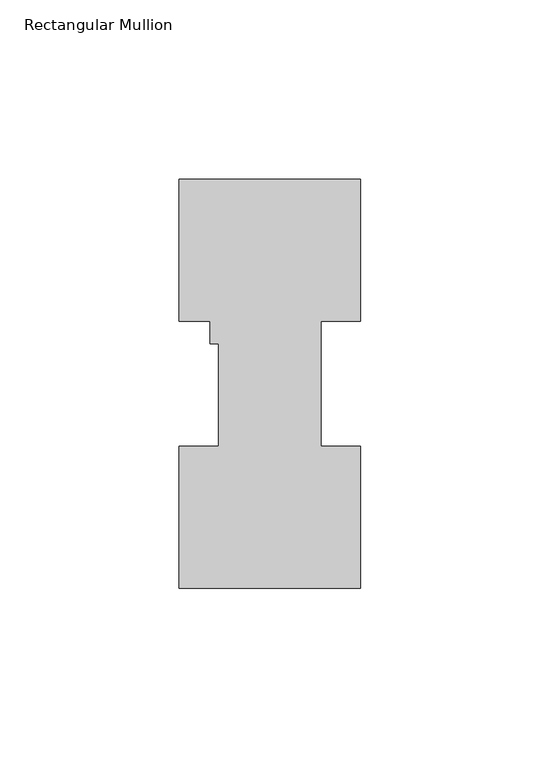
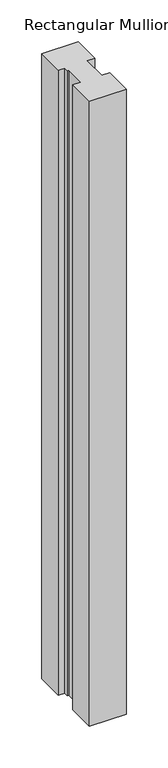
"""IFC4 building model written with IfcOpenShell, lengths in millimetres: member geometry, Rectangular Mullion."""

from ifc_helpers import new_model, si_unit, frame, origin, place, context, project, spatial, polyline, outline, extrude, source, transform, mapped, element, save


def rectangular_mullion_12a6ed69(model_context):
    return source(origin(), model_context, "Body", "SweptSolid", [
        extrude(outline(polyline([(25.4, 114.271425), (25.4, 74.596625), (14.2875, 74.596625), (14.2875, 39.646225), (25.4, 39.646225), (25.4, -0.028575), (-25.4, -0.028575), (-25.4, 39.646225), (-14.2875, 39.646225), (-14.2875, 68.246625), (-16.6624, 68.246625), (-16.6624, 74.596625), (-25.4, 74.596625), (-25.4, 114.271425), (25.4, 114.271425)])), frame((0.0, 0.0, -914.4), z_axis=(0.0, 0.0, 1.0), x_axis=(1.0, 0.0, 0.0)), (0.0, 0.0, 1.0), 914.4),
    ])


if __name__ == "__main__":
    model = new_model("IFC4")
    model_context = context("Model", 3, world=origin())
    ifc_project = project(units=[si_unit("LENGTHUNIT", "METRE", prefix="MILLI")], contexts=[model_context])
    site = spatial("IfcSite", under=ifc_project)
    building = spatial("IfcBuilding", under=site)
    placement = place(None, origin())
    rectangular_mullion_shape = rectangular_mullion_12a6ed69(model_context)
    element("IfcMember", 1, ObjectType="Rectangular Mullion", at=placement, inside=building, context=model_context, shape_type="MappedRepresentation", body=[
        mapped(rectangular_mullion_shape, transform((0.0, 0.0, 0.0), x_axis=(1.0, 0.0, 0.0), y_axis=(0.0, 1.0, 0.0), z_axis=(0.0, 0.0, 1.0))),
    ])
    save(model, "model.ifc")
